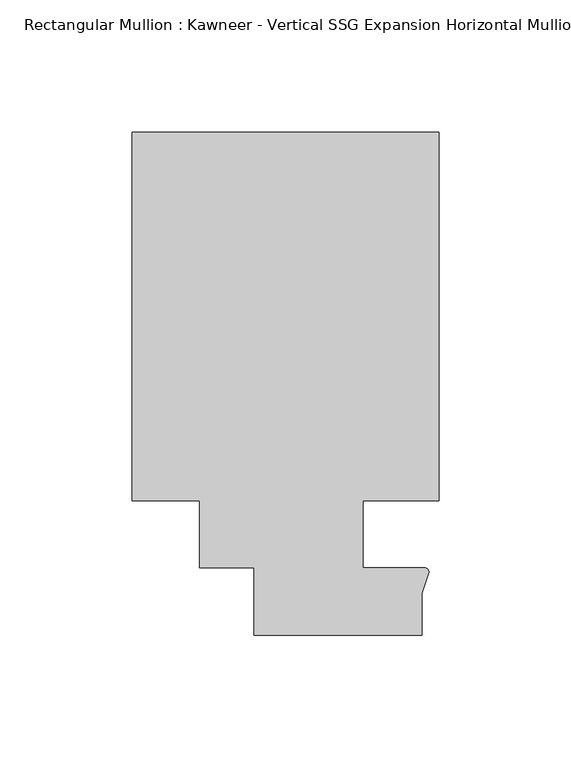
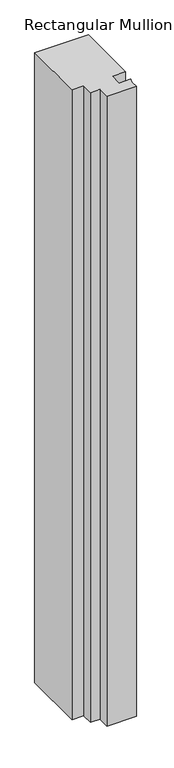
"""IFC4 building model written with IfcOpenShell, lengths in millimetres: member geometry."""

from ifc_helpers import new_model, si_unit, point, frame, frame_2d, origin, place, context, project, spatial, polyline, circle_curve, trimmed, segment, composite_curve, outline, extrude, source, transform, mapped, element, save


def member_1cca5643(model_context):
    return source(origin(), model_context, "Body", "SweptSolid", [
        extrude(outline(composite_curve([segment(trimmed(circle_curve(frame_2d((48.2162832, -14.401412)), 1.703369), [point((48.2997293, -12.7000881))], [point((49.9159011, -14.2884292))], False, "CARTESIAN"), True, "CONTINUOUS"), segment(polyline([(49.9159011, -14.2884292), (47.265046, -22.2250977), (47.265046, -38.1), (-16.234954, -38.1), (-16.234954, -12.7), (-36.8958768, -12.7), (-36.8958768, 12.7), (-62.2957636, 12.7), (-62.2957636, 151.892), (53.615046, 151.892), (53.615046, 12.7), (25.0401592, 12.7), (25.0401592, -12.7000881), (48.2997293, -12.7000881)]), True, "CONTINUOUS")], self_intersect=False)), frame((0.0, 0.0, -1437.1912663), z_axis=(0.0, 0.0, 1.0), x_axis=(1.0, 0.0, 0.0)), (0.0, 0.0, 1.0), 1437.1912663),
    ])


if __name__ == "__main__":
    model = new_model("IFC4")
    model_context = context("Model", 3, world=origin())
    ifc_project = project(units=[si_unit("LENGTHUNIT", "METRE", prefix="MILLI")], contexts=[model_context])
    site = spatial("IfcSite", under=ifc_project)
    building = spatial("IfcBuilding", under=site)
    placement = place(None, origin())
    member_shape = member_1cca5643(model_context)
    element("IfcMember", 1, ObjectType="Rectangular Mullion : Kawneer - Vertical SSG Expansion Horizontal Mullion - 7 1/2\"", at=placement, inside=building, context=model_context, shape_type="MappedRepresentation", body=[
        mapped(member_shape, transform((0.0, 0.0, 0.0), x_axis=(1.0, 0.0, 0.0), y_axis=(0.0, 1.0, 0.0), z_axis=(0.0, 0.0, 1.0))),
    ])
    save(model, "model.ifc")
